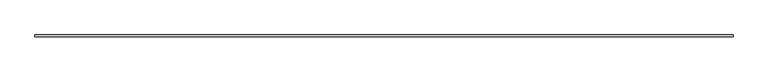
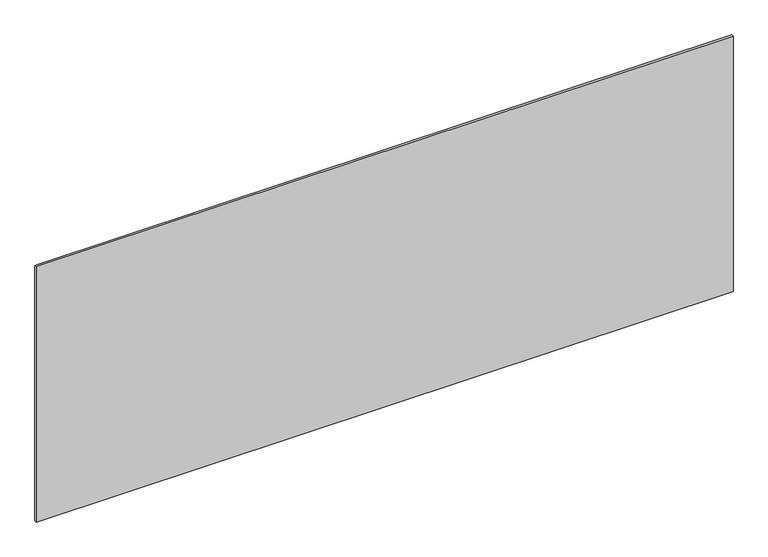
"""IFC4 building model written with IfcOpenShell, lengths in millimetres: plate geometry."""

import ifcopenshell
import ifcopenshell.guid

model = None  # the IFC model being written
_history = None  # IfcOwnerHistory: only IFC2X3 demands one
_inside = {}  # id of a spatial element -> (the spatial element, [elements in it])
_under = {}  # id of a project, library or spatial element -> (it, [spatial elements below it])
_declared = {}  # id of a project -> (the project, [libraries it declares])
_typed = {}  # id of a type object -> (the type object, [elements of that type])
_made_of = {}  # id of a material, layer set ... -> (it, [elements and type objects made of it])


def new_model(schema):
    """Start an empty IFC model of exactly this schema.

    Asked for "IFC4X3", IfcOpenShell would pick the latest addendum, in which some entities
    have other attributes; the version numbers below select the first issue.
    IFC2X3 requires an IfcOwnerHistory on every rooted entity: one is made here for all.
    """
    global model, _history
    if schema == "IFC4X3":
        model = ifcopenshell.file(schema_version=(4, 3, 0, 0))
    else:
        model = ifcopenshell.file(schema=schema)
    _inside.clear()
    _under.clear()
    _declared.clear()
    _typed.clear()
    _made_of.clear()
    _history = None
    if model.schema == "IFC2X3":
        org = make("IfcOrganization", Name="unknown")
        user = make(
            "IfcPersonAndOrganization",
            ThePerson=make("IfcPerson", FamilyName="unknown"),
            TheOrganization=org,
        )
        app = make(
            "IfcApplication",
            ApplicationDeveloper=org,
            Version="unknown",
            ApplicationFullName="unknown",
            ApplicationIdentifier="unknown",
        )
        _history = make(
            "IfcOwnerHistory",
            OwningUser=user,
            OwningApplication=app,
            ChangeAction="ADDED",
            CreationDate=0,
        )
    return model


def make(cls, **values):
    """One entity of the class cls with the attributes given. An attribute that is None is left unset."""
    return model.create_entity(
        cls, **{name: value for name, value in values.items() if value is not None}
    )


def rooted(cls, **values):
    """An entity with a GlobalId (a new one), such as an element, a storey or a relation."""
    return make(cls, GlobalId=ifcopenshell.guid.new(), OwnerHistory=_history, **values)


def si_unit(unit_type, name, prefix=None):
    """IfcSIUnit, for example si_unit("LENGTHUNIT", "METRE", prefix="MILLI")."""
    return make("IfcSIUnit", UnitType=unit_type, Prefix=prefix, Name=name)


def assignment(units):
    """IfcUnitAssignment: the units of a project."""
    return None if units is None else make("IfcUnitAssignment", Units=units)


def point(xyz):
    """IfcCartesianPoint."""
    return None if xyz is None else make("IfcCartesianPoint", Coordinates=xyz)


def direction(xyz):
    """IfcDirection."""
    return None if xyz is None else make("IfcDirection", DirectionRatios=xyz)


def frame(location, z_axis=None, x_axis=None):
    """IfcAxis2Placement3D, a coordinate frame: its origin and axes. An axis left out is left unset."""
    return make(
        "IfcAxis2Placement3D",
        Location=point(location),
        Axis=direction(z_axis),
        RefDirection=direction(x_axis),
    )


def origin():
    """The frame at (0, 0, 0) with its axes left unset."""
    return frame((0.0, 0.0, 0.0))


def origin_with_axes():
    """The frame at (0, 0, 0) with the z axis (0, 0, 1) and the x axis (1, 0, 0) written out."""
    return frame((0.0, 0.0, 0.0), z_axis=(0.0, 0.0, 1.0), x_axis=(1.0, 0.0, 0.0))


def place(relative_to, where):
    """IfcLocalPlacement: puts the frame where relative to a parent placement (None: the world)."""
    return make(
        "IfcLocalPlacement", PlacementRelTo=relative_to, RelativePlacement=where
    )


def context(
    kind, dimensions, precision=None, world=None, true_north=None, identifier=None
):
    """IfcGeometricRepresentationContext, for example the 3D "Model" context."""
    return make(
        "IfcGeometricRepresentationContext",
        ContextIdentifier=identifier,
        ContextType=kind,
        CoordinateSpaceDimension=dimensions,
        Precision=precision,
        WorldCoordinateSystem=world,
        TrueNorth=true_north,
    )


def project(units=None, contexts=None):
    """IfcProject with its units and contexts."""
    return rooted(
        "IfcProject",
        Name="project",
        RepresentationContexts=contexts,
        UnitsInContext=assignment(units),
    )


def spatial(cls, under=None, at=None, **own):
    """A site, building, storey or space (cls), placed at a placement, below another one or the project."""
    s = rooted(cls, ObjectPlacement=at, **own)
    if under is not None:
        _under.setdefault(under.id(), (under, []))[1].append(s)
    return s


def polyline(points):
    """IfcPolyline through the points."""
    return make("IfcPolyline", Points=[point(p) for p in points])


def outline(outer, holes=None, kind="AREA"):
    """IfcArbitraryClosedProfileDef: a profile drawn as a closed curve; with holes, ...WithVoids."""
    if holes is None:
        return make("IfcArbitraryClosedProfileDef", ProfileType=kind, OuterCurve=outer)
    return make(
        "IfcArbitraryProfileDefWithVoids",
        ProfileType=kind,
        OuterCurve=outer,
        InnerCurves=holes,
    )


def extrude(swept, where, along, depth):
    """IfcExtrudedAreaSolid: the profile swept, set in the frame where, extruded along a direction by depth."""
    return make(
        "IfcExtrudedAreaSolid",
        SweptArea=swept,
        Position=where,
        ExtrudedDirection=direction(along),
        Depth=depth,
    )


def shape(context_of_items, identifier, shape_type, items):
    """IfcShapeRepresentation: the items that make up one representation, for example the "Body"."""
    return make(
        "IfcShapeRepresentation",
        ContextOfItems=context_of_items,
        RepresentationIdentifier=identifier,
        RepresentationType=shape_type,
        Items=items,
    )


def source(mapping_origin, context_of_items, identifier, shape_type, items):
    """IfcRepresentationMap: a shape defined once, which mapped items show again and again."""
    return make(
        "IfcRepresentationMap",
        MappingOrigin=mapping_origin,
        MappedRepresentation=shape(context_of_items, identifier, shape_type, items),
    )


def transform(
    local_origin,
    x_axis=None,
    y_axis=None,
    z_axis=None,
    scale=None,
    scale2=None,
    scale3=None,
    uniform=True,
):
    """IfcCartesianTransformationOperator3D, or its non-uniform kind. x_axis, y_axis, z_axis: its Axis1, 2, 3."""
    if uniform:
        return make(
            "IfcCartesianTransformationOperator3D",
            Axis1=direction(x_axis),
            Axis2=direction(y_axis),
            LocalOrigin=point(local_origin),
            Scale=scale,
            Axis3=direction(z_axis),
        )
    return make(
        "IfcCartesianTransformationOperator3DnonUniform",
        Axis1=direction(x_axis),
        Axis2=direction(y_axis),
        LocalOrigin=point(local_origin),
        Scale=scale,
        Axis3=direction(z_axis),
        Scale2=scale2,
        Scale3=scale3,
    )


def mapped(mapping_source, mapping_target):
    """IfcMappedItem: shows the shape of a source again, moved by a transform."""
    return make(
        "IfcMappedItem", MappingSource=mapping_source, MappingTarget=mapping_target
    )


def made_of(thing, what):
    """Note that an element or type object is made of a material, layer set ...; save() writes the relation."""
    if what is not None:
        _made_of.setdefault(what.id(), (what, []))[1].append(thing)
    return thing


def element(
    cls,
    number,
    at=None,
    inside=None,
    cuts=None,
    type_object=None,
    material=None,
    context=None,
    identifier="Body",
    shape_type=None,
    held_by="IfcProductDefinitionShape",
    body=None,
    shapes=None,
    **own,
):
    """One element of the class cls, such as IfcWall. Its Tag is "e" and its number.

    at: its placement. inside: the storey or other place that contains it. cuts: it is an
    opening in that element (IfcRelVoidsElement). A single representation is given by context,
    identifier, shape_type and body (its items); several are given by shapes. held_by: the class
    of the entity that holds the representations. save() writes the other relations.
    """
    e = rooted(cls, Tag="e%d" % number, ObjectPlacement=at, **own)
    if body is not None:
        shapes = [shape(context, identifier, shape_type, body)]
    if shapes is not None:
        e.Representation = make(held_by, Representations=shapes)
    if inside is not None:
        _inside.setdefault(inside.id(), (inside, []))[1].append(e)
    if cuts is not None:
        rooted(
            "IfcRelVoidsElement", RelatingBuildingElement=cuts, RelatedOpeningElement=e
        )
    if type_object is not None:
        _typed.setdefault(type_object.id(), (type_object, []))[1].append(e)
    return made_of(e, material)


def aggregate(whole, parts):
    """IfcRelAggregates: a whole, such as a stair, and the parts it consists of."""
    return rooted("IfcRelAggregates", RelatingObject=whole, RelatedObjects=parts)


def save(model, path):
    """Write the relations noted so far, then the file.

    IfcRelAggregates (storeys below a building ...), IfcRelContainedInSpatialStructure (elements
    in a storey), IfcRelDefinesByType, IfcRelAssociatesMaterial and IfcRelDeclares: one each for
    every whole, place, type object, material and project.
    """
    for whole, parts in _under.values():
        aggregate(whole, parts)
    for where, things in _inside.values():
        rooted(
            "IfcRelContainedInSpatialStructure",
            RelatedElements=things,
            RelatingStructure=where,
        )
    for kind, things in _typed.values():
        rooted("IfcRelDefinesByType", RelatedObjects=things, RelatingType=kind)
    for what, things in _made_of.values():
        rooted("IfcRelAssociatesMaterial", RelatedObjects=things, RelatingMaterial=what)
    for by, libraries in _declared.values():
        rooted("IfcRelDeclares", RelatingContext=by, RelatedDefinitions=libraries)
    model.write(path)


def plate_ff207d9e(model_context):
    return source(origin(), model_context, "Body", "SweptSolid", [
        extrude(outline(polyline([(1715.0, -5.0), (-1715.0, -5.0), (-1715.0, 5.0), (1715.0, 5.0), (1715.0, -5.0)])), origin_with_axes(), (0.0, 0.0, 1.0), 1330.1743306),
    ])


if __name__ == "__main__":
    model = new_model("IFC4")
    model_context = context("Model", 3, world=origin())
    ifc_project = project(units=[si_unit("LENGTHUNIT", "METRE", prefix="MILLI")], contexts=[model_context])
    site = spatial("IfcSite", under=ifc_project)
    building = spatial("IfcBuilding", under=site)
    placement = place(None, origin())
    plate_shape = plate_ff207d9e(model_context)
    element("IfcPlate", 1, at=placement, inside=building, context=model_context, shape_type="MappedRepresentation", body=[
        mapped(plate_shape, transform((0.0, 0.0, 0.0), x_axis=(1.0, 0.0, 0.0), y_axis=(0.0, 1.0, 0.0), z_axis=(0.0, 0.0, 1.0))),
    ])
    save(model, "model.ifc")
